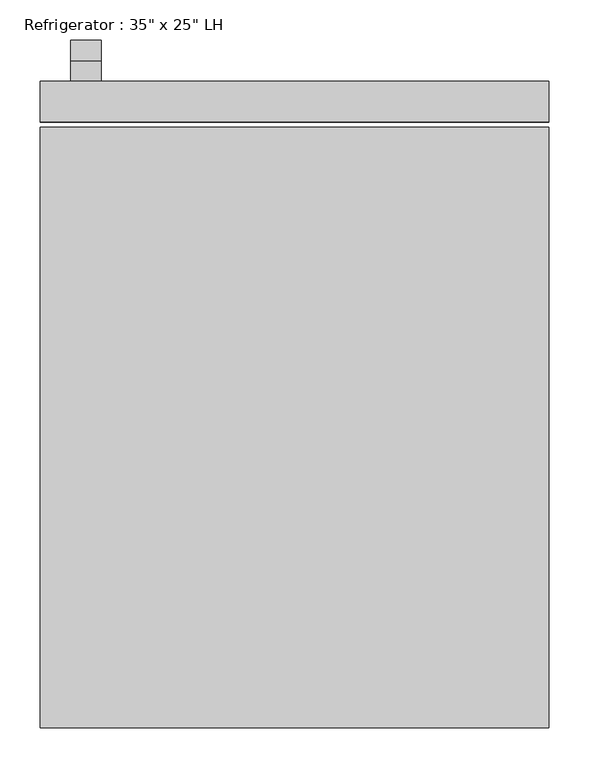
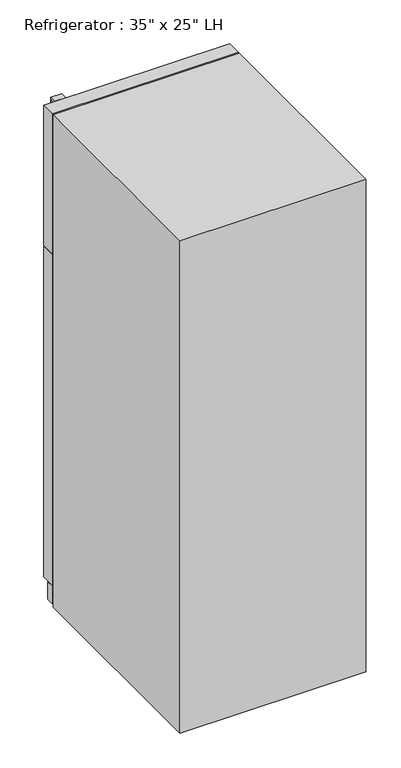
"""IFC4 building model written with IfcOpenShell, lengths in millimetres: proxy geometry."""

import ifcopenshell
import ifcopenshell.guid

model = None  # the IFC model being written
_history = None  # IfcOwnerHistory: only IFC2X3 demands one
_inside = {}  # id of a spatial element -> (the spatial element, [elements in it])
_under = {}  # id of a project, library or spatial element -> (it, [spatial elements below it])
_declared = {}  # id of a project -> (the project, [libraries it declares])
_typed = {}  # id of a type object -> (the type object, [elements of that type])
_made_of = {}  # id of a material, layer set ... -> (it, [elements and type objects made of it])


def new_model(schema):
    """Start an empty IFC model of exactly this schema.

    Asked for "IFC4X3", IfcOpenShell would pick the latest addendum, in which some entities
    have other attributes; the version numbers below select the first issue.
    IFC2X3 requires an IfcOwnerHistory on every rooted entity: one is made here for all.
    """
    global model, _history
    if schema == "IFC4X3":
        model = ifcopenshell.file(schema_version=(4, 3, 0, 0))
    else:
        model = ifcopenshell.file(schema=schema)
    _inside.clear()
    _under.clear()
    _declared.clear()
    _typed.clear()
    _made_of.clear()
    _history = None
    if model.schema == "IFC2X3":
        org = make("IfcOrganization", Name="unknown")
        user = make(
            "IfcPersonAndOrganization",
            ThePerson=make("IfcPerson", FamilyName="unknown"),
            TheOrganization=org,
        )
        app = make(
            "IfcApplication",
            ApplicationDeveloper=org,
            Version="unknown",
            ApplicationFullName="unknown",
            ApplicationIdentifier="unknown",
        )
        _history = make(
            "IfcOwnerHistory",
            OwningUser=user,
            OwningApplication=app,
            ChangeAction="ADDED",
            CreationDate=0,
        )
    return model


def make(cls, **values):
    """One entity of the class cls with the attributes given. An attribute that is None is left unset."""
    return model.create_entity(
        cls, **{name: value for name, value in values.items() if value is not None}
    )


def rooted(cls, **values):
    """An entity with a GlobalId (a new one), such as an element, a storey or a relation."""
    return make(cls, GlobalId=ifcopenshell.guid.new(), OwnerHistory=_history, **values)


def si_unit(unit_type, name, prefix=None):
    """IfcSIUnit, for example si_unit("LENGTHUNIT", "METRE", prefix="MILLI")."""
    return make("IfcSIUnit", UnitType=unit_type, Prefix=prefix, Name=name)


def assignment(units):
    """IfcUnitAssignment: the units of a project."""
    return None if units is None else make("IfcUnitAssignment", Units=units)


def point(xyz):
    """IfcCartesianPoint."""
    return None if xyz is None else make("IfcCartesianPoint", Coordinates=xyz)


def direction(xyz):
    """IfcDirection."""
    return None if xyz is None else make("IfcDirection", DirectionRatios=xyz)


def frame(location, z_axis=None, x_axis=None):
    """IfcAxis2Placement3D, a coordinate frame: its origin and axes. An axis left out is left unset."""
    return make(
        "IfcAxis2Placement3D",
        Location=point(location),
        Axis=direction(z_axis),
        RefDirection=direction(x_axis),
    )


def origin():
    """The frame at (0, 0, 0) with its axes left unset."""
    return frame((0.0, 0.0, 0.0))


def origin_with_axes():
    """The frame at (0, 0, 0) with the z axis (0, 0, 1) and the x axis (1, 0, 0) written out."""
    return frame((0.0, 0.0, 0.0), z_axis=(0.0, 0.0, 1.0), x_axis=(1.0, 0.0, 0.0))


def place(relative_to, where):
    """IfcLocalPlacement: puts the frame where relative to a parent placement (None: the world)."""
    return make(
        "IfcLocalPlacement", PlacementRelTo=relative_to, RelativePlacement=where
    )


def context(
    kind, dimensions, precision=None, world=None, true_north=None, identifier=None
):
    """IfcGeometricRepresentationContext, for example the 3D "Model" context."""
    return make(
        "IfcGeometricRepresentationContext",
        ContextIdentifier=identifier,
        ContextType=kind,
        CoordinateSpaceDimension=dimensions,
        Precision=precision,
        WorldCoordinateSystem=world,
        TrueNorth=true_north,
    )


def project(units=None, contexts=None):
    """IfcProject with its units and contexts."""
    return rooted(
        "IfcProject",
        Name="project",
        RepresentationContexts=contexts,
        UnitsInContext=assignment(units),
    )


def spatial(cls, under=None, at=None, **own):
    """A site, building, storey or space (cls), placed at a placement, below another one or the project."""
    s = rooted(cls, ObjectPlacement=at, **own)
    if under is not None:
        _under.setdefault(under.id(), (under, []))[1].append(s)
    return s


def polyline(points):
    """IfcPolyline through the points."""
    return make("IfcPolyline", Points=[point(p) for p in points])


def outline(outer, holes=None, kind="AREA"):
    """IfcArbitraryClosedProfileDef: a profile drawn as a closed curve; with holes, ...WithVoids."""
    if holes is None:
        return make("IfcArbitraryClosedProfileDef", ProfileType=kind, OuterCurve=outer)
    return make(
        "IfcArbitraryProfileDefWithVoids",
        ProfileType=kind,
        OuterCurve=outer,
        InnerCurves=holes,
    )


def extrude(swept, where, along, depth):
    """IfcExtrudedAreaSolid: the profile swept, set in the frame where, extruded along a direction by depth."""
    return make(
        "IfcExtrudedAreaSolid",
        SweptArea=swept,
        Position=where,
        ExtrudedDirection=direction(along),
        Depth=depth,
    )


def shape(context_of_items, identifier, shape_type, items):
    """IfcShapeRepresentation: the items that make up one representation, for example the "Body"."""
    return make(
        "IfcShapeRepresentation",
        ContextOfItems=context_of_items,
        RepresentationIdentifier=identifier,
        RepresentationType=shape_type,
        Items=items,
    )


def source(mapping_origin, context_of_items, identifier, shape_type, items):
    """IfcRepresentationMap: a shape defined once, which mapped items show again and again."""
    return make(
        "IfcRepresentationMap",
        MappingOrigin=mapping_origin,
        MappedRepresentation=shape(context_of_items, identifier, shape_type, items),
    )


def transform(
    local_origin,
    x_axis=None,
    y_axis=None,
    z_axis=None,
    scale=None,
    scale2=None,
    scale3=None,
    uniform=True,
):
    """IfcCartesianTransformationOperator3D, or its non-uniform kind. x_axis, y_axis, z_axis: its Axis1, 2, 3."""
    if uniform:
        return make(
            "IfcCartesianTransformationOperator3D",
            Axis1=direction(x_axis),
            Axis2=direction(y_axis),
            LocalOrigin=point(local_origin),
            Scale=scale,
            Axis3=direction(z_axis),
        )
    return make(
        "IfcCartesianTransformationOperator3DnonUniform",
        Axis1=direction(x_axis),
        Axis2=direction(y_axis),
        LocalOrigin=point(local_origin),
        Scale=scale,
        Axis3=direction(z_axis),
        Scale2=scale2,
        Scale3=scale3,
    )


def mapped(mapping_source, mapping_target):
    """IfcMappedItem: shows the shape of a source again, moved by a transform."""
    return make(
        "IfcMappedItem", MappingSource=mapping_source, MappingTarget=mapping_target
    )


def made_of(thing, what):
    """Note that an element or type object is made of a material, layer set ...; save() writes the relation."""
    if what is not None:
        _made_of.setdefault(what.id(), (what, []))[1].append(thing)
    return thing


def element(
    cls,
    number,
    at=None,
    inside=None,
    cuts=None,
    type_object=None,
    material=None,
    context=None,
    identifier="Body",
    shape_type=None,
    held_by="IfcProductDefinitionShape",
    body=None,
    shapes=None,
    **own,
):
    """One element of the class cls, such as IfcWall. Its Tag is "e" and its number.

    at: its placement. inside: the storey or other place that contains it. cuts: it is an
    opening in that element (IfcRelVoidsElement). A single representation is given by context,
    identifier, shape_type and body (its items); several are given by shapes. held_by: the class
    of the entity that holds the representations. save() writes the other relations.
    """
    e = rooted(cls, Tag="e%d" % number, ObjectPlacement=at, **own)
    if body is not None:
        shapes = [shape(context, identifier, shape_type, body)]
    if shapes is not None:
        e.Representation = make(held_by, Representations=shapes)
    if inside is not None:
        _inside.setdefault(inside.id(), (inside, []))[1].append(e)
    if cuts is not None:
        rooted(
            "IfcRelVoidsElement", RelatingBuildingElement=cuts, RelatedOpeningElement=e
        )
    if type_object is not None:
        _typed.setdefault(type_object.id(), (type_object, []))[1].append(e)
    return made_of(e, material)


def aggregate(whole, parts):
    """IfcRelAggregates: a whole, such as a stair, and the parts it consists of."""
    return rooted("IfcRelAggregates", RelatingObject=whole, RelatedObjects=parts)


def save(model, path):
    """Write the relations noted so far, then the file.

    IfcRelAggregates (storeys below a building ...), IfcRelContainedInSpatialStructure (elements
    in a storey), IfcRelDefinesByType, IfcRelAssociatesMaterial and IfcRelDeclares: one each for
    every whole, place, type object, material and project.
    """
    for whole, parts in _under.values():
        aggregate(whole, parts)
    for where, things in _inside.values():
        rooted(
            "IfcRelContainedInSpatialStructure",
            RelatedElements=things,
            RelatingStructure=where,
        )
    for kind, things in _typed.values():
        rooted("IfcRelDefinesByType", RelatedObjects=things, RelatingType=kind)
    for what, things in _made_of.values():
        rooted("IfcRelAssociatesMaterial", RelatedObjects=things, RelatingMaterial=what)
    for by, libraries in _declared.values():
        rooted("IfcRelDeclares", RelatingContext=by, RelatedDefinitions=libraries)
    model.write(path)


def proxy_25b46b4a(model_context):
    return source(origin(), model_context, "Body", "SweptSolid", [
        extrude(outline(polyline([(417.9010285, 1262.0625), (417.9010285, 1268.4125), (468.7010285, 1268.4125), (468.7010285, 1065.2125), (440.7949512, 666.1370017), (417.9010285, 666.1370017), (417.9010285, 672.4715334), (434.8723987, 672.4715334), (462.3510285, 1065.4342469), (462.3510285, 1262.0625), (417.9010285, 1262.0625)])), frame((-279.4, 0.0, 0.0), z_axis=(1.0, 0.0, 0.0), x_axis=(0.0, 1.0, 0.0)), (0.0, 0.0, 1.0), 38.4332978),
        extrude(outline(polyline([(442.739413, 1778.0), (469.2793675, 1271.5875), (418.6780855, 1271.5875), (418.6780855, 1277.9375), (463.4007207, 1277.9375), (437.5263449, 1771.65), (418.6780855, 1771.65), (418.6780855, 1778.0), (442.739413, 1778.0)])), frame((-279.4, 0.0, 0.0), z_axis=(1.0, 0.0, 0.0), x_axis=(0.0, 1.0, 0.0)), (0.0, 0.0, 1.0), 38.4332978),
        extrude(outline(polyline([(317.5, 367.1010285), (-317.5, 367.1010285), (-317.5, 392.5010285), (317.5, 392.5010285), (317.5, 367.1010285)])), frame((0.0, 0.0, 9.3816357), z_axis=(0.0, 0.0, 1.0), x_axis=(1.0, 0.0, 0.0)), (0.0, 0.0, 1.0), 63.5),
        extrude(outline(polyline([(317.5, 367.1010285), (-317.5, 367.1010285), (-317.5, 417.9010285), (317.5, 417.9010285), (317.5, 367.1010285)])), frame((0.0, 0.0, 76.2), z_axis=(0.0, 0.0, 1.0), x_axis=(1.0, 0.0, 0.0)), (0.0, 0.0, 1.0), 1192.2125),
        extrude(outline(polyline([(317.5, 367.1010285), (-317.5, 367.1010285), (-317.5, 417.9010285), (317.5, 417.9010285), (317.5, 367.1010285)])), frame((0.0, 0.0, 1271.5875), z_axis=(0.0, 0.0, 1.0), x_axis=(1.0, 0.0, 0.0)), (0.0, 0.0, 1.0), 506.4125),
        extrude(outline(polyline([(317.5, -388.5489715), (-317.5, -388.5489715), (-317.5, 360.7510285), (317.5, 360.7510285), (317.5, -388.5489715)])), origin_with_axes(), (0.0, 0.0, 1.0), 1778.0),
    ])


if __name__ == "__main__":
    model = new_model("IFC4")
    model_context = context("Model", 3, world=origin())
    ifc_project = project(units=[si_unit("LENGTHUNIT", "METRE", prefix="MILLI")], contexts=[model_context])
    site = spatial("IfcSite", under=ifc_project)
    building = spatial("IfcBuilding", under=site)
    placement = place(None, origin())
    proxy_shape = proxy_25b46b4a(model_context)
    element("IfcBuildingElementProxy", 1, Name="Refrigerator : 35\" x 25\" LH", ObjectType="Refrigerator : 35\" x 25\" LH", at=placement, inside=building, context=model_context, shape_type="MappedRepresentation", body=[
        mapped(proxy_shape, transform((0.0, 0.0, 0.0), x_axis=(1.0, 0.0, 0.0), y_axis=(0.0, 1.0, 0.0), z_axis=(0.0, 0.0, 1.0))),
    ])
    save(model, "model.ifc")
